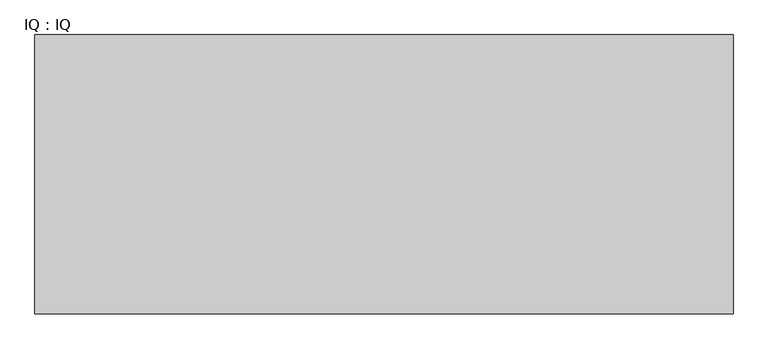
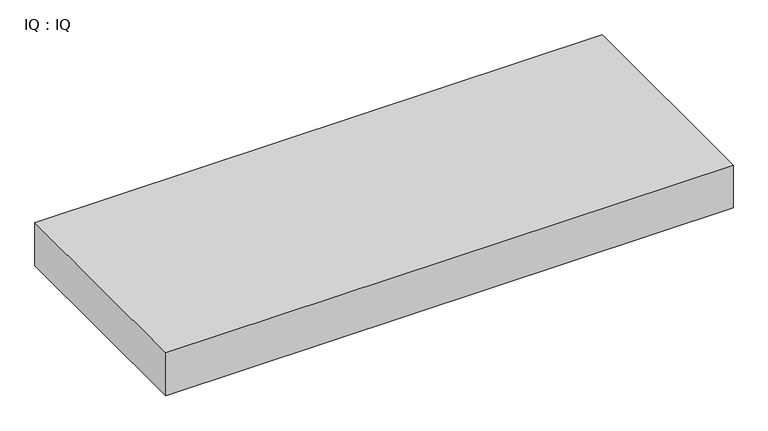
"""IFC4 building model written with IfcOpenShell, lengths in millimetres: proxy geometry, IQ : IQ."""

from ifc_helpers import new_model, si_unit, frame, origin, place, context, project, spatial, polyline, outline, extrude, source, transform, mapped, element, save


def iq_iq_4384d778(model_context):
    return source(origin(), model_context, "Body", "SweptSolid", [
        extrude(outline(polyline([(2500.0, 1000.0), (2500.0, 0.0), (0.0, 0.0), (0.0, 1000.0), (2500.0, 1000.0)])), frame((0.0, 0.0, 800.0), z_axis=(0.0, 0.0, 1.0), x_axis=(1.0, 0.0, 0.0)), (0.0, 0.0, 1.0), 200.0),
    ])


if __name__ == "__main__":
    model = new_model("IFC4")
    model_context = context("Model", 3, world=origin())
    ifc_project = project(units=[si_unit("LENGTHUNIT", "METRE", prefix="MILLI")], contexts=[model_context])
    site = spatial("IfcSite", under=ifc_project)
    building = spatial("IfcBuilding", under=site)
    placement = place(None, origin())
    iq_iq_shape = iq_iq_4384d778(model_context)
    element("IfcBuildingElementProxy", 1, Name="IQ : IQ", ObjectType="IQ : IQ", at=placement, inside=building, context=model_context, shape_type="MappedRepresentation", body=[
        mapped(iq_iq_shape, transform((0.0, 0.0, 0.0), x_axis=(1.0, 0.0, 0.0), y_axis=(0.0, 1.0, 0.0), z_axis=(0.0, 0.0, 1.0))),
    ])
    save(model, "model.ifc")
